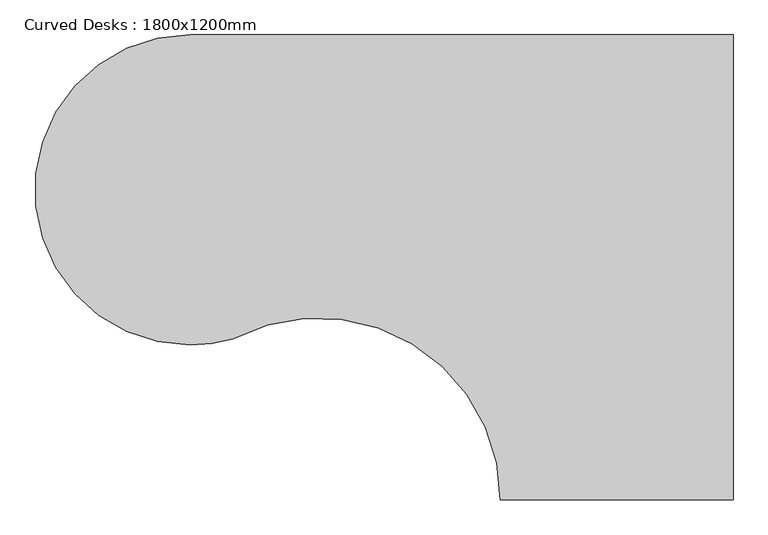
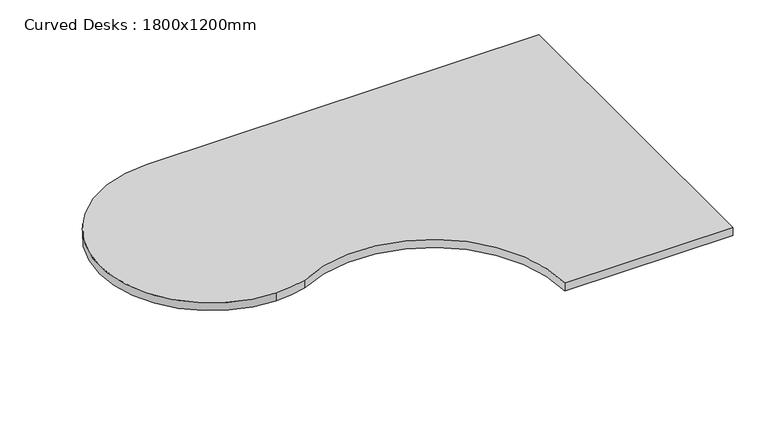
"""IFC4 building model written with IfcOpenShell, lengths in millimetres: furniture geometry, Curved Desks : 1800x1200mm."""

from ifc_helpers import new_model, si_unit, point, frame, frame_2d, origin, place, context, project, spatial, polyline, circle_curve, trimmed, segment, composite_curve, outline, extrude, source, transform, mapped, element, save


def curved_desks_1800x1200mm_7ec79a66(model_context):
    return source(origin(), model_context, "Body", "SweptSolid", [
        extrude(outline(composite_curve([segment(polyline([(-19.05, 0.0), (-19.05, -1200.0), (-619.05, -1200.0)]), True, "CONTINUOUS"), segment(trimmed(circle_curve(frame_2d((-1089.05, -1200.0)), 470.0), [point((-619.05, -1200.0))], [point((-1308.674359, -784.4700481))], True, "CARTESIAN"), True, "CONTINUOUS"), segment(trimmed(circle_curve(frame_2d((-1419.05, -400.0)), 400.0), [point((-1308.674359, -784.4700481))], [point((-1419.05, -800.0))], False, "CARTESIAN"), True, "CONTINUOUS"), segment(trimmed(circle_curve(frame_2d((-1419.05, -400.0)), 400.0), [point((-1419.05, -800.0))], [point((-1419.05, 0.0))], False, "CARTESIAN"), True, "CONTINUOUS"), segment(polyline([(-1419.05, 0.0), (-19.05, 0.0)]), True, "CONTINUOUS")], self_intersect=False)), frame((0.0, 0.0, 698.4486678), z_axis=(0.0, 0.0, 1.0), x_axis=(1.0, 0.0, 0.0)), (0.0, 0.0, 1.0), 29.8256661),
    ])


if __name__ == "__main__":
    model = new_model("IFC4")
    model_context = context("Model", 3, world=origin())
    ifc_project = project(units=[si_unit("LENGTHUNIT", "METRE", prefix="MILLI")], contexts=[model_context])
    site = spatial("IfcSite", under=ifc_project)
    building = spatial("IfcBuilding", under=site)
    placement = place(None, origin())
    curved_desks_1800x1200mm_shape = curved_desks_1800x1200mm_7ec79a66(model_context)
    element("IfcFurniture", 1, ObjectType="Curved Desks : 1800x1200mm", at=placement, inside=building, context=model_context, shape_type="MappedRepresentation", body=[
        mapped(curved_desks_1800x1200mm_shape, transform((0.0, 0.0, 0.0), x_axis=(1.0, 0.0, 0.0), y_axis=(0.0, 1.0, 0.0), z_axis=(0.0, 0.0, 1.0))),
    ])
    save(model, "model.ifc")
